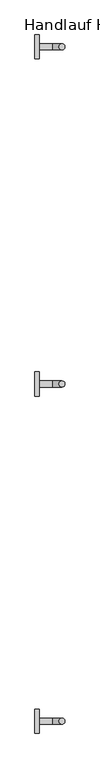
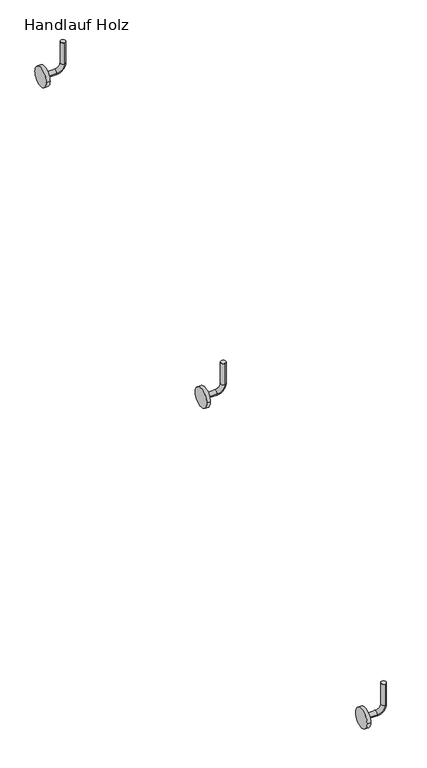
"""IFC4 building model written with IfcOpenShell, lengths in millimetres: railing geometry, Handlauf Holz."""

from ifc_helpers import new_model, si_unit, point, frame, frame_2d, origin, place, context, project, spatial, circle_curve, ellipse_curve, trimmed, segment, composite_curve, outline, extrude, source, transform, mapped, element, save
from ifc_brep_helpers import plane_surface, cylinder_surface, revolved_surface, advanced_brep


def handlauf_holz_f84cc928(model_context):
    return source(origin(), model_context, "Body", "SolidModel", [
        advanced_brep(
        [(11037.0, 5760.3, 5709.7), (11037.0, 5773.0, 5709.7), (11037.0, 5773.0, 5652.55), (11037.0, 5760.3, 5652.55), (11017.95, 5773.0, 5633.5), (11017.95, 5760.3, 5633.5), (10989.375, 5760.3, 5633.5), (10989.375, 5773.0, 5633.5)],
        [
            (0, 1, circle_curve(frame((11037.0, 5766.65, 5709.7), z_axis=(0.0, 0.0, 1.0), x_axis=(0.0, 1.0, 0.0)), 6.35)),
            (1, 0, circle_curve(frame((11037.0, 5766.65, 5709.7), z_axis=(0.0, 0.0, 1.0), x_axis=(0.0, 1.0, 0.0)), 6.35)),
            (1, 2),
            (2, 3, circle_curve(frame((11037.0, 5766.65, 5652.55), z_axis=(0.0, 0.0, 1.0), x_axis=(0.0, 1.0, 0.0)), 6.35)),
            (3, 0),
            (3, 2, circle_curve(frame((11037.0, 5766.65, 5652.55), z_axis=(0.0, 0.0, 1.0), x_axis=(0.0, 1.0, 0.0)), 6.35)),
            (4, 5, circle_curve(frame((11017.95, 5766.65, 5633.5), z_axis=(1.0, 0.0, 0.0), x_axis=(0.0, 1.0, 0.0)), 6.35)),
            (5, 3, circle_curve(frame((11017.95, 5760.3, 5652.55), z_axis=(0.0, -1.0, 0.0), x_axis=(1.0, 0.0, 0.0)), 19.05)),
            (2, 4, circle_curve(frame((11017.95, 5773.0, 5652.55), z_axis=(0.0, 1.0, 0.0), x_axis=(1.0, 0.0, 0.0)), 19.05)),
            (5, 4, circle_curve(frame((11017.95, 5766.65, 5633.5), z_axis=(1.0, 0.0, 0.0), x_axis=(0.0, 1.0, 0.0)), 6.35)),
            (6, 7, circle_curve(frame((10989.375, 5766.65, 5633.5), z_axis=(-1.0, 0.0, 0.0), x_axis=(0.0, 1.0, 0.0)), 6.35)),
            (7, 6, circle_curve(frame((10989.375, 5766.65, 5633.5), z_axis=(-1.0, 0.0, 0.0), x_axis=(0.0, 1.0, 0.0)), 6.35)),
            (4, 7),
            (6, 5),
        ],
        [
            plane_surface(frame((11037.0, 5773.0, 5709.7), z_axis=(0.0, 0.0, 1.0), x_axis=(-1.0, 0.0, 0.0))),
            cylinder_surface(frame((11037.0, 5766.65, 5709.7), z_axis=(0.0, 0.0, 1.0), x_axis=(0.0, 1.0, 0.0)), 6.35),
            revolved_surface(trimmed(ellipse_curve(frame((11037.0, 5766.65, 5652.55), z_axis=(0.0, 0.0, -1.0), x_axis=(0.0, 1.0, 0.0)), 6.35, 6.35), [point((11037.0, 5760.3, 5652.55))], [point((11037.0, 5773.0, 5652.55))], True, "CARTESIAN"), (11017.95, 5766.65, 5652.55), (0.0, -1.0, 0.0)),
            revolved_surface(trimmed(ellipse_curve(frame((11037.0, 5766.65, 5652.55), z_axis=(0.0, 0.0, -1.0), x_axis=(0.0, 1.0, 0.0)), 6.35, 6.35), [point((11037.0, 5773.0, 5652.55))], [point((11037.0, 5760.3, 5652.55))], True, "CARTESIAN"), (11017.95, 5766.65, 5652.55), (0.0, -1.0, 0.0)),
            plane_surface(frame((10989.375, 5766.65, 5627.15), z_axis=(-1.0, 0.0, 0.0), x_axis=(0.0, 1.0, 0.0))),
            cylinder_surface(frame((11017.95, 5766.65, 5633.5), z_axis=(1.0, 0.0, 0.0), x_axis=(0.0, 1.0, 0.0)), 6.35),
        ],
        [
            (0, [[1, 2]]),
            (1, [[3, 4, 5, -2]]),
            (1, [[-5, 6, -3, -1]]),
            (2, [[7, 8, -4, 9]]),
            (3, [[10, -9, -6, -8]]),
            (4, [[11, 12]]),
            (5, [[13, -11, 14, -7]]),
            (5, [[-14, -12, -13, -10]]),
        ],
    ),
        extrude(outline(composite_curve([segment(trimmed(circle_curve(frame_2d((5766.65, 5633.5)), 25.4), [point((5792.05, 5633.5))], [point((5741.25, 5633.5))], False, "CARTESIAN"), True, "CONTINUOUS"), segment(trimmed(circle_curve(frame_2d((5766.65, 5633.5)), 25.4), [point((5741.25, 5633.5))], [point((5792.05, 5633.5))], False, "CARTESIAN"), True, "CONTINUOUS")], self_intersect=False)), frame((10979.85, 0.0, 0.0), z_axis=(1.0, 0.0, 0.0), x_axis=(0.0, 1.0, 0.0)), (0.0, 0.0, 1.0), 9.525),
        advanced_brep(
        [(11037.0, 5047.8, 5272.2), (11037.0, 5060.5, 5272.2), (11037.0, 5060.5, 5215.05), (11037.0, 5047.8, 5215.05), (11017.95, 5060.5, 5196.0), (11017.95, 5047.8, 5196.0), (10989.375, 5047.8, 5196.0), (10989.375, 5060.5, 5196.0)],
        [
            (0, 1, circle_curve(frame((11037.0, 5054.15, 5272.2), z_axis=(0.0, 0.0, 1.0), x_axis=(0.0, 1.0, 0.0)), 6.35)),
            (1, 0, circle_curve(frame((11037.0, 5054.15, 5272.2), z_axis=(0.0, 0.0, 1.0), x_axis=(0.0, 1.0, 0.0)), 6.35)),
            (1, 2),
            (2, 3, circle_curve(frame((11037.0, 5054.15, 5215.05), z_axis=(0.0, 0.0, 1.0), x_axis=(0.0, 1.0, 0.0)), 6.35)),
            (3, 0),
            (3, 2, circle_curve(frame((11037.0, 5054.15, 5215.05), z_axis=(0.0, 0.0, 1.0), x_axis=(0.0, 1.0, 0.0)), 6.35)),
            (4, 5, circle_curve(frame((11017.95, 5054.15, 5196.0), z_axis=(1.0, 0.0, 0.0), x_axis=(0.0, 1.0, 0.0)), 6.35)),
            (5, 3, circle_curve(frame((11017.95, 5047.8, 5215.05), z_axis=(0.0, -1.0, 0.0), x_axis=(1.0, 0.0, 0.0)), 19.05)),
            (2, 4, circle_curve(frame((11017.95, 5060.5, 5215.05), z_axis=(0.0, 1.0, 0.0), x_axis=(1.0, 0.0, 0.0)), 19.05)),
            (5, 4, circle_curve(frame((11017.95, 5054.15, 5196.0), z_axis=(1.0, 0.0, 0.0), x_axis=(0.0, 1.0, 0.0)), 6.35)),
            (6, 7, circle_curve(frame((10989.375, 5054.15, 5196.0), z_axis=(-1.0, 0.0, 0.0), x_axis=(0.0, 1.0, 0.0)), 6.35)),
            (7, 6, circle_curve(frame((10989.375, 5054.15, 5196.0), z_axis=(-1.0, 0.0, 0.0), x_axis=(0.0, 1.0, 0.0)), 6.35)),
            (4, 7),
            (6, 5),
        ],
        [
            plane_surface(frame((11037.0, 5060.5, 5272.2), z_axis=(0.0, 0.0, 1.0), x_axis=(-1.0, 0.0, 0.0))),
            cylinder_surface(frame((11037.0, 5054.15, 5272.2), z_axis=(0.0, 0.0, 1.0), x_axis=(0.0, 1.0, 0.0)), 6.35),
            revolved_surface(trimmed(ellipse_curve(frame((11037.0, 5054.15, 5215.05), z_axis=(0.0, 0.0, -1.0), x_axis=(0.0, 1.0, 0.0)), 6.35, 6.35), [point((11037.0, 5047.8, 5215.05))], [point((11037.0, 5060.5, 5215.05))], True, "CARTESIAN"), (11017.95, 5054.15, 5215.05), (0.0, -1.0, 0.0)),
            revolved_surface(trimmed(ellipse_curve(frame((11037.0, 5054.15, 5215.05), z_axis=(0.0, 0.0, -1.0), x_axis=(0.0, 1.0, 0.0)), 6.35, 6.35), [point((11037.0, 5060.5, 5215.05))], [point((11037.0, 5047.8, 5215.05))], True, "CARTESIAN"), (11017.95, 5054.15, 5215.05), (0.0, -1.0, 0.0)),
            plane_surface(frame((10989.375, 5054.15, 5189.65), z_axis=(-1.0, 0.0, 0.0), x_axis=(0.0, 1.0, 0.0))),
            cylinder_surface(frame((11017.95, 5054.15, 5196.0), z_axis=(1.0, 0.0, 0.0), x_axis=(0.0, 1.0, 0.0)), 6.35),
        ],
        [
            (0, [[1, 2]]),
            (1, [[3, 4, 5, -2]]),
            (1, [[-5, 6, -3, -1]]),
            (2, [[7, 8, -4, 9]]),
            (3, [[10, -9, -6, -8]]),
            (4, [[11, 12]]),
            (5, [[13, -11, 14, -7]]),
            (5, [[-14, -12, -13, -10]]),
        ],
    ),
        extrude(outline(composite_curve([segment(trimmed(circle_curve(frame_2d((5054.15, 5196.0)), 25.4), [point((5079.55, 5196.0))], [point((5028.75, 5196.0))], False, "CARTESIAN"), True, "CONTINUOUS"), segment(trimmed(circle_curve(frame_2d((5054.15, 5196.0)), 25.4), [point((5028.75, 5196.0))], [point((5079.55, 5196.0))], False, "CARTESIAN"), True, "CONTINUOUS")], self_intersect=False)), frame((10979.85, 0.0, 0.0), z_axis=(1.0, 0.0, 0.0), x_axis=(0.0, 1.0, 0.0)), (0.0, 0.0, 1.0), 9.525),
        advanced_brep(
        [(11037.0, 4335.3, 4834.7), (11037.0, 4348.0, 4834.7), (11037.0, 4348.0, 4777.55), (11037.0, 4335.3, 4777.55), (11017.95, 4348.0, 4758.5), (11017.95, 4335.3, 4758.5), (10989.375, 4335.3, 4758.5), (10989.375, 4348.0, 4758.5)],
        [
            (0, 1, circle_curve(frame((11037.0, 4341.65, 4834.7), z_axis=(0.0, 0.0, 1.0), x_axis=(0.0, 1.0, 0.0)), 6.35)),
            (1, 0, circle_curve(frame((11037.0, 4341.65, 4834.7), z_axis=(0.0, 0.0, 1.0), x_axis=(0.0, 1.0, 0.0)), 6.35)),
            (1, 2),
            (2, 3, circle_curve(frame((11037.0, 4341.65, 4777.55), z_axis=(0.0, 0.0, 1.0), x_axis=(0.0, 1.0, 0.0)), 6.35)),
            (3, 0),
            (3, 2, circle_curve(frame((11037.0, 4341.65, 4777.55), z_axis=(0.0, 0.0, 1.0), x_axis=(0.0, 1.0, 0.0)), 6.35)),
            (4, 5, circle_curve(frame((11017.95, 4341.65, 4758.5), z_axis=(1.0, 0.0, 0.0), x_axis=(0.0, 1.0, 0.0)), 6.35)),
            (5, 3, circle_curve(frame((11017.95, 4335.3, 4777.55), z_axis=(0.0, -1.0, 0.0), x_axis=(1.0, 0.0, 0.0)), 19.05)),
            (2, 4, circle_curve(frame((11017.95, 4348.0, 4777.55), z_axis=(0.0, 1.0, 0.0), x_axis=(1.0, 0.0, 0.0)), 19.05)),
            (5, 4, circle_curve(frame((11017.95, 4341.65, 4758.5), z_axis=(1.0, 0.0, 0.0), x_axis=(0.0, 1.0, 0.0)), 6.35)),
            (6, 7, circle_curve(frame((10989.375, 4341.65, 4758.5), z_axis=(-1.0, 0.0, 0.0), x_axis=(0.0, 1.0, 0.0)), 6.35)),
            (7, 6, circle_curve(frame((10989.375, 4341.65, 4758.5), z_axis=(-1.0, 0.0, 0.0), x_axis=(0.0, 1.0, 0.0)), 6.35)),
            (4, 7),
            (6, 5),
        ],
        [
            plane_surface(frame((11037.0, 4348.0, 4834.7), z_axis=(0.0, 0.0, 1.0), x_axis=(-1.0, 0.0, 0.0))),
            cylinder_surface(frame((11037.0, 4341.65, 4834.7), z_axis=(0.0, 0.0, 1.0), x_axis=(0.0, 1.0, 0.0)), 6.35),
            revolved_surface(trimmed(ellipse_curve(frame((11037.0, 4341.65, 4777.55), z_axis=(0.0, 0.0, -1.0), x_axis=(0.0, 1.0, 0.0)), 6.35, 6.35), [point((11037.0, 4335.3, 4777.55))], [point((11037.0, 4348.0, 4777.55))], True, "CARTESIAN"), (11017.95, 4341.65, 4777.55), (0.0, -1.0, 0.0)),
            revolved_surface(trimmed(ellipse_curve(frame((11037.0, 4341.65, 4777.55), z_axis=(0.0, 0.0, -1.0), x_axis=(0.0, 1.0, 0.0)), 6.35, 6.35), [point((11037.0, 4348.0, 4777.55))], [point((11037.0, 4335.3, 4777.55))], True, "CARTESIAN"), (11017.95, 4341.65, 4777.55), (0.0, -1.0, 0.0)),
            plane_surface(frame((10989.375, 4341.65, 4752.15), z_axis=(-1.0, 0.0, 0.0), x_axis=(0.0, 1.0, 0.0))),
            cylinder_surface(frame((11017.95, 4341.65, 4758.5), z_axis=(1.0, 0.0, 0.0), x_axis=(0.0, 1.0, 0.0)), 6.35),
        ],
        [
            (0, [[1, 2]]),
            (1, [[3, 4, 5, -2]]),
            (1, [[-5, 6, -3, -1]]),
            (2, [[7, 8, -4, 9]]),
            (3, [[10, -9, -6, -8]]),
            (4, [[11, 12]]),
            (5, [[13, -11, 14, -7]]),
            (5, [[-14, -12, -13, -10]]),
        ],
    ),
        extrude(outline(composite_curve([segment(trimmed(circle_curve(frame_2d((4341.65, 4758.5)), 25.4), [point((4367.05, 4758.5))], [point((4316.25, 4758.5))], False, "CARTESIAN"), True, "CONTINUOUS"), segment(trimmed(circle_curve(frame_2d((4341.65, 4758.5)), 25.4), [point((4316.25, 4758.5))], [point((4367.05, 4758.5))], False, "CARTESIAN"), True, "CONTINUOUS")], self_intersect=False)), frame((10979.85, 0.0, 0.0), z_axis=(1.0, 0.0, 0.0), x_axis=(0.0, 1.0, 0.0)), (0.0, 0.0, 1.0), 9.525),
    ])


if __name__ == "__main__":
    model = new_model("IFC4")
    model_context = context("Model", 3, world=origin())
    ifc_project = project(units=[si_unit("LENGTHUNIT", "METRE", prefix="MILLI")], contexts=[model_context])
    site = spatial("IfcSite", under=ifc_project)
    building = spatial("IfcBuilding", under=site)
    placement = place(None, origin())
    handlauf_holz_shape = handlauf_holz_f84cc928(model_context)
    element("IfcRailing", 1, ObjectType="Handlauf Holz", at=placement, inside=building, context=model_context, shape_type="MappedRepresentation", body=[
        mapped(handlauf_holz_shape, transform((0.0, 0.0, 0.0), x_axis=(1.0, 0.0, 0.0), y_axis=(0.0, 1.0, 0.0), z_axis=(0.0, 0.0, 1.0))),
    ])
    save(model, "model.ifc")
